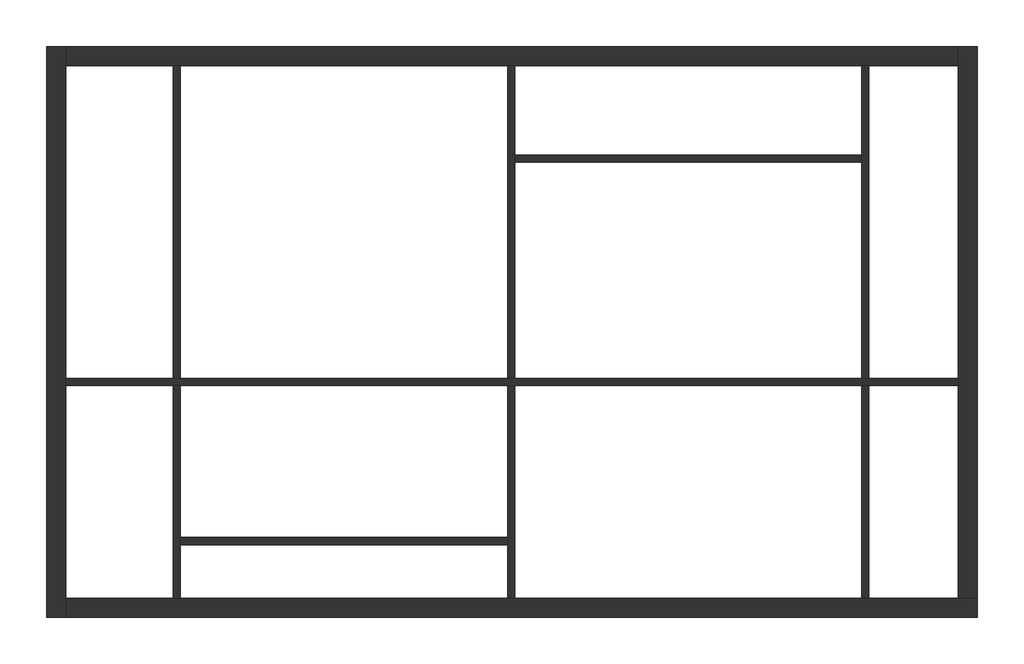
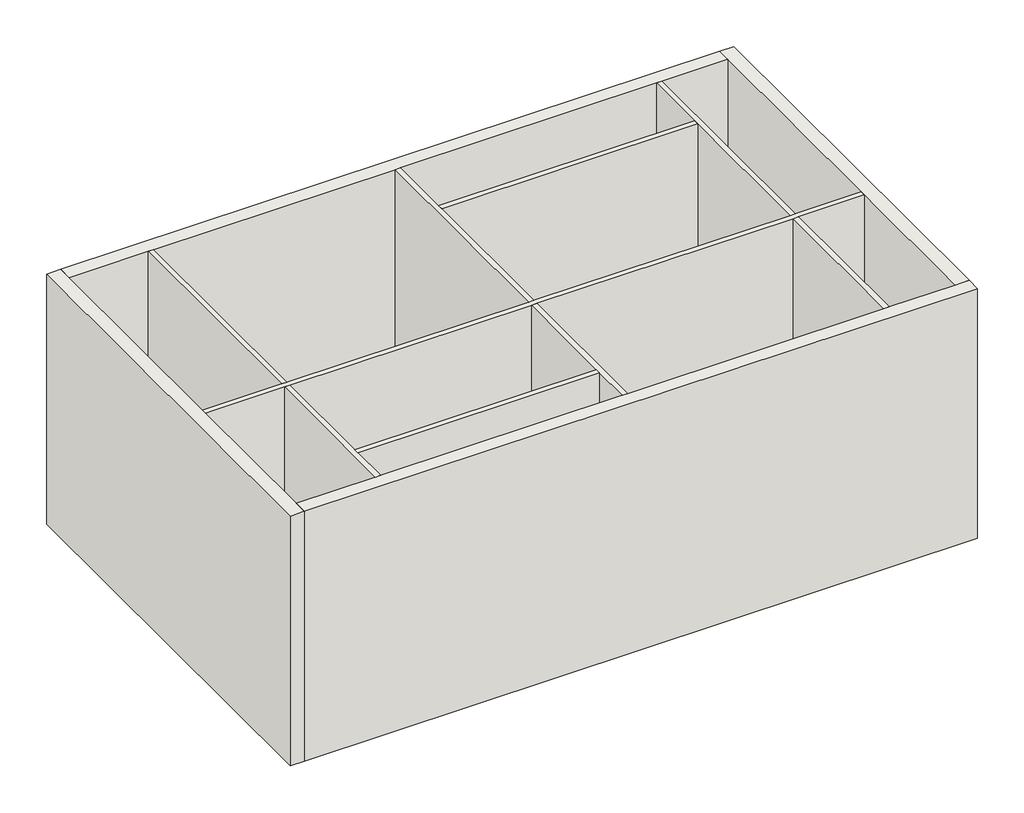
# One storey: 10 walls.
"""IFC4 building model written with IfcOpenShell, lengths in millimetres."""

import ifcopenshell
import ifcopenshell.guid

model = None  # the IFC model being written
_history = None  # IfcOwnerHistory: only IFC2X3 demands one
_inside = {}  # id of a spatial element -> (the spatial element, [elements in it])
_under = {}  # id of a project, library or spatial element -> (it, [spatial elements below it])
_declared = {}  # id of a project -> (the project, [libraries it declares])
_typed = {}  # id of a type object -> (the type object, [elements of that type])
_made_of = {}  # id of a material, layer set ... -> (it, [elements and type objects made of it])


def new_model(schema):
    """Start an empty IFC model of exactly this schema.

    Asked for "IFC4X3", IfcOpenShell would pick the latest addendum, in which some entities
    have other attributes; the version numbers below select the first issue.
    IFC2X3 requires an IfcOwnerHistory on every rooted entity: one is made here for all.
    """
    global model, _history
    if schema == "IFC4X3":
        model = ifcopenshell.file(schema_version=(4, 3, 0, 0))
    else:
        model = ifcopenshell.file(schema=schema)
    _inside.clear()
    _under.clear()
    _declared.clear()
    _typed.clear()
    _made_of.clear()
    _history = None
    if model.schema == "IFC2X3":
        org = make("IfcOrganization", Name="unknown")
        user = make(
            "IfcPersonAndOrganization",
            ThePerson=make("IfcPerson", FamilyName="unknown"),
            TheOrganization=org,
        )
        app = make(
            "IfcApplication",
            ApplicationDeveloper=org,
            Version="unknown",
            ApplicationFullName="unknown",
            ApplicationIdentifier="unknown",
        )
        _history = make(
            "IfcOwnerHistory",
            OwningUser=user,
            OwningApplication=app,
            ChangeAction="ADDED",
            CreationDate=0,
        )
    return model


def make(cls, **values):
    """One entity of the class cls with the attributes given. An attribute that is None is left unset."""
    return model.create_entity(
        cls, **{name: value for name, value in values.items() if value is not None}
    )


def rooted(cls, **values):
    """An entity with a GlobalId (a new one), such as an element, a storey or a relation."""
    return make(cls, GlobalId=ifcopenshell.guid.new(), OwnerHistory=_history, **values)


def si_unit(unit_type, name, prefix=None):
    """IfcSIUnit, for example si_unit("LENGTHUNIT", "METRE", prefix="MILLI")."""
    return make("IfcSIUnit", UnitType=unit_type, Prefix=prefix, Name=name)


def assignment(units):
    """IfcUnitAssignment: the units of a project."""
    return None if units is None else make("IfcUnitAssignment", Units=units)


def point(xyz):
    """IfcCartesianPoint."""
    return None if xyz is None else make("IfcCartesianPoint", Coordinates=xyz)


def direction(xyz):
    """IfcDirection."""
    return None if xyz is None else make("IfcDirection", DirectionRatios=xyz)


def frame(location, z_axis=None, x_axis=None):
    """IfcAxis2Placement3D, a coordinate frame: its origin and axes. An axis left out is left unset."""
    return make(
        "IfcAxis2Placement3D",
        Location=point(location),
        Axis=direction(z_axis),
        RefDirection=direction(x_axis),
    )


def origin():
    """The frame at (0, 0, 0) with its axes left unset."""
    return frame((0.0, 0.0, 0.0))


def place(relative_to, where):
    """IfcLocalPlacement: puts the frame where relative to a parent placement (None: the world)."""
    return make(
        "IfcLocalPlacement", PlacementRelTo=relative_to, RelativePlacement=where
    )


def context(
    kind, dimensions, precision=None, world=None, true_north=None, identifier=None
):
    """IfcGeometricRepresentationContext, for example the 3D "Model" context."""
    return make(
        "IfcGeometricRepresentationContext",
        ContextIdentifier=identifier,
        ContextType=kind,
        CoordinateSpaceDimension=dimensions,
        Precision=precision,
        WorldCoordinateSystem=world,
        TrueNorth=true_north,
    )


def project(units=None, contexts=None):
    """IfcProject with its units and contexts."""
    return rooted(
        "IfcProject",
        Name="project",
        RepresentationContexts=contexts,
        UnitsInContext=assignment(units),
    )


def spatial(cls, under=None, at=None, **own):
    """A site, building, storey or space (cls), placed at a placement, below another one or the project."""
    s = rooted(cls, ObjectPlacement=at, **own)
    if under is not None:
        _under.setdefault(under.id(), (under, []))[1].append(s)
    return s


def polyline(points):
    """IfcPolyline through the points."""
    return make("IfcPolyline", Points=[point(p) for p in points])


def outline(outer, holes=None, kind="AREA"):
    """IfcArbitraryClosedProfileDef: a profile drawn as a closed curve; with holes, ...WithVoids."""
    if holes is None:
        return make("IfcArbitraryClosedProfileDef", ProfileType=kind, OuterCurve=outer)
    return make(
        "IfcArbitraryProfileDefWithVoids",
        ProfileType=kind,
        OuterCurve=outer,
        InnerCurves=holes,
    )


def extrude(swept, where, along, depth):
    """IfcExtrudedAreaSolid: the profile swept, set in the frame where, extruded along a direction by depth."""
    return make(
        "IfcExtrudedAreaSolid",
        SweptArea=swept,
        Position=where,
        ExtrudedDirection=direction(along),
        Depth=depth,
    )


def faces_of(points, faces, orient=None, outer=None):
    """IfcFace entities. A face is a list of loops; a loop is a list of indices into points, from 0.

    orient and outer hold one flag for each loop. By default every Orientation is true, the
    first loop of a face is its IfcFaceOuterBound and the others are IfcFaceBound.
    """
    made = []
    for i, loops in enumerate(faces):
        bounds = []
        for j, loop in enumerate(loops):
            is_outer = j == 0 if outer is None else outer[i][j]
            bounds.append(
                make(
                    "IfcFaceOuterBound" if is_outer else "IfcFaceBound",
                    Bound=make("IfcPolyLoop", Polygon=[points[k] for k in loop]),
                    Orientation=True if orient is None else orient[i][j],
                )
            )
        made.append(make("IfcFace", Bounds=bounds))
    return made


def faceted_brep(points, faces, orient=None, outer=None, voids=None):
    """IfcFacetedBrep: a solid bounded by flat faces; with voids (closed shells), ...WithVoids."""
    shared = [point(p) for p in points]
    hull = make("IfcClosedShell", CfsFaces=faces_of(shared, faces, orient, outer))
    if voids is None:
        return make("IfcFacetedBrep", Outer=hull)
    return make(
        "IfcFacetedBrepWithVoids",
        Outer=hull,
        Voids=[
            make(cls, CfsFaces=faces_of(shared, fs, o, b)) for cls, fs, o, b in voids
        ],
    )


def shape(context_of_items, identifier, shape_type, items):
    """IfcShapeRepresentation: the items that make up one representation, for example the "Body"."""
    return make(
        "IfcShapeRepresentation",
        ContextOfItems=context_of_items,
        RepresentationIdentifier=identifier,
        RepresentationType=shape_type,
        Items=items,
    )


def made_of(thing, what):
    """Note that an element or type object is made of a material, layer set ...; save() writes the relation."""
    if what is not None:
        _made_of.setdefault(what.id(), (what, []))[1].append(thing)
    return thing


def element(
    cls,
    number,
    at=None,
    inside=None,
    cuts=None,
    type_object=None,
    material=None,
    context=None,
    identifier="Body",
    shape_type=None,
    held_by="IfcProductDefinitionShape",
    body=None,
    shapes=None,
    **own,
):
    """One element of the class cls, such as IfcWall. Its Tag is "e" and its number.

    at: its placement. inside: the storey or other place that contains it. cuts: it is an
    opening in that element (IfcRelVoidsElement). A single representation is given by context,
    identifier, shape_type and body (its items); several are given by shapes. held_by: the class
    of the entity that holds the representations. save() writes the other relations.
    """
    e = rooted(cls, Tag="e%d" % number, ObjectPlacement=at, **own)
    if body is not None:
        shapes = [shape(context, identifier, shape_type, body)]
    if shapes is not None:
        e.Representation = make(held_by, Representations=shapes)
    if inside is not None:
        _inside.setdefault(inside.id(), (inside, []))[1].append(e)
    if cuts is not None:
        rooted(
            "IfcRelVoidsElement", RelatingBuildingElement=cuts, RelatedOpeningElement=e
        )
    if type_object is not None:
        _typed.setdefault(type_object.id(), (type_object, []))[1].append(e)
    return made_of(e, material)


def aggregate(whole, parts):
    """IfcRelAggregates: a whole, such as a stair, and the parts it consists of."""
    return rooted("IfcRelAggregates", RelatingObject=whole, RelatedObjects=parts)


def save(model, path):
    """Write the relations noted so far, then the file.

    IfcRelAggregates (storeys below a building ...), IfcRelContainedInSpatialStructure (elements
    in a storey), IfcRelDefinesByType, IfcRelAssociatesMaterial and IfcRelDeclares: one each for
    every whole, place, type object, material and project.
    """
    for whole, parts in _under.values():
        aggregate(whole, parts)
    for where, things in _inside.values():
        rooted(
            "IfcRelContainedInSpatialStructure",
            RelatedElements=things,
            RelatingStructure=where,
        )
    for kind, things in _typed.values():
        rooted("IfcRelDefinesByType", RelatedObjects=things, RelatingType=kind)
    for what, things in _made_of.values():
        rooted("IfcRelAssociatesMaterial", RelatedObjects=things, RelatingMaterial=what)
    for by, libraries in _declared.values():
        rooted("IfcRelDeclares", RelatingContext=by, RelatedDefinitions=libraries)
    model.write(path)


model = new_model("IFC4")

# Units and contexts
model_context = context("Model", 3, world=origin())
ifc_project = project(units=[si_unit("LENGTHUNIT", "METRE", prefix="MILLI")], contexts=[model_context])

# Site, building, storey
site = spatial("IfcSite", under=ifc_project)
building = spatial("IfcBuilding", under=site)
storey = spatial("IfcBuildingStorey", under=building, Elevation=16000.0)

# Walls
placement = place(None, origin())
element("IfcWall", 1, at=placement, inside=storey, context=model_context, shape_type="Brep", body=[
    faceted_brep([(-3948.8295203, 13550.2038861, 16000.0), (-3948.8295203, 7162.2038861, 16000.0), (-3948.8295203, 7162.2038861, 20000.0), (-3948.8295203, 13550.2038861, 20000.0), (-3734.8295203, 13550.2038861, 16000.0), (-3734.8295203, 13550.2038861, 20000.0), (-3734.8295203, 13336.2038861, 20000.0), (-3734.8295203, 9836.2038861, 20000.0), (-3734.8295203, 9756.2038861, 20000.0), (-3734.8295203, 7376.2038861, 20000.0), (-3734.8295203, 7162.2038861, 20000.0), (-3734.8295203, 7162.2038861, 16000.0), (-3734.8295203, 7376.2038861, 16000.0), (-3734.8295203, 9756.2038861, 16000.0), (-3734.8295203, 9836.2038861, 16000.0), (-3734.8295203, 13336.2038861, 16000.0)], [[[0, 1, 2, 3]], [[4, 5, 6, 7, 8, 9, 10, 11, 12, 13, 14, 15]], [[1, 0, 4, 15, 14, 13, 12, 11]], [[3, 2, 10, 9, 8, 7, 6, 5]], [[0, 3, 5, 4]], [[2, 1, 11, 10]]]),
])
element("IfcWall", 2, at=placement, inside=storey, context=model_context, shape_type="Brep", body=[
    faceted_brep([(-3734.8295203, 7162.2038861, 16000.0), (6459.1704797, 7162.2038861, 16000.0), (6459.1704797, 7162.2038861, 20000.0), (-3734.8295203, 7162.2038861, 20000.0), (-3734.8295203, 7376.2038861, 16000.0), (-3734.8295203, 7376.2038861, 20000.0), (-2534.8295203, 7376.2038861, 20000.0), (-2454.8295203, 7376.2038861, 20000.0), (1205.1704797, 7376.2038861, 20000.0), (1285.1704797, 7376.2038861, 20000.0), (5165.1704797, 7376.2038861, 20000.0), (5245.1704797, 7376.2038861, 20000.0), (6245.1704797, 7376.2038861, 20000.0), (6459.1704797, 7376.2038861, 20000.0), (6459.1704797, 7376.2038861, 16000.0), (6245.1704797, 7376.2038861, 16000.0), (5245.1704797, 7376.2038861, 16000.0), (5165.1704797, 7376.2038861, 16000.0), (1285.1704797, 7376.2038861, 16000.0), (1205.1704797, 7376.2038861, 16000.0), (-2454.8295203, 7376.2038861, 16000.0), (-2534.8295203, 7376.2038861, 16000.0)], [[[0, 1, 2, 3]], [[4, 5, 6, 7, 8, 9, 10, 11, 12, 13, 14, 15, 16, 17, 18, 19, 20, 21]], [[1, 0, 4, 21, 20, 19, 18, 17, 16, 15, 14]], [[3, 2, 13, 12, 11, 10, 9, 8, 7, 6, 5]], [[2, 1, 14, 13]], [[0, 3, 5, 4]]]),
])
element("IfcWall", 3, at=placement, inside=storey, context=model_context, shape_type="Brep", body=[
    faceted_brep([(6459.1704797, 7376.2038861, 16000.0), (6459.1704797, 13550.2038861, 16000.0), (6459.1704797, 13550.2038861, 20000.0), (6459.1704797, 7376.2038861, 20000.0), (6245.1704797, 7376.2038861, 16000.0), (6245.1704797, 7376.2038861, 20000.0), (6245.1704797, 9756.2038861, 20000.0), (6245.1704797, 9836.2038861, 20000.0), (6245.1704797, 13336.2038861, 20000.0), (6245.1704797, 13550.2038861, 20000.0), (6245.1704797, 13550.2038861, 16000.0), (6245.1704797, 13336.2038861, 16000.0), (6245.1704797, 9836.2038861, 16000.0), (6245.1704797, 9756.2038861, 16000.0)], [[[0, 1, 2, 3]], [[4, 5, 6, 7, 8, 9, 10, 11, 12, 13]], [[1, 0, 4, 13, 12, 11, 10]], [[3, 2, 9, 8, 7, 6, 5]], [[2, 1, 10, 9]], [[0, 3, 5, 4]]]),
])
element("IfcWall", 4, at=placement, inside=storey, context=model_context, shape_type="Brep", body=[
    faceted_brep([(6245.1704797, 13550.2038861, 16000.0), (-3734.8295203, 13550.2038861, 16000.0), (-3734.8295203, 13550.2038861, 20000.0), (6245.1704797, 13550.2038861, 20000.0), (6245.1704797, 13336.2038861, 16000.0), (6245.1704797, 13336.2038861, 20000.0), (5245.1704797, 13336.2038861, 20000.0), (5165.1704797, 13336.2038861, 20000.0), (1285.1704797, 13336.2038861, 20000.0), (1205.1704797, 13336.2038861, 20000.0), (-2454.8295203, 13336.2038861, 20000.0), (-2534.8295203, 13336.2038861, 20000.0), (-3734.8295203, 13336.2038861, 20000.0), (-3734.8295203, 13336.2038861, 16000.0), (-2534.8295203, 13336.2038861, 16000.0), (-2454.8295203, 13336.2038861, 16000.0), (1205.1704797, 13336.2038861, 16000.0), (1285.1704797, 13336.2038861, 16000.0), (5165.1704797, 13336.2038861, 16000.0), (5245.1704797, 13336.2038861, 16000.0)], [[[0, 1, 2, 3]], [[4, 5, 6, 7, 8, 9, 10, 11, 12, 13, 14, 15, 16, 17, 18, 19]], [[1, 0, 4, 19, 18, 17, 16, 15, 14, 13]], [[3, 2, 12, 11, 10, 9, 8, 7, 6, 5]], [[0, 3, 5, 4]], [[2, 1, 13, 12]]]),
])
element("IfcWall", 5, at=placement, inside=storey, context=model_context, shape_type="Brep", body=[
    faceted_brep([(-3734.8295203, 9756.2038861, 16000.0), (-2534.8295203, 9756.2038861, 16000.0), (-2454.8295203, 9756.2038861, 16000.0), (1205.1704797, 9756.2038861, 16000.0), (1285.1704797, 9756.2038861, 16000.0), (5165.1704797, 9756.2038861, 16000.0), (5245.1704797, 9756.2038861, 16000.0), (6245.1704797, 9756.2038861, 16000.0), (6245.1704797, 9756.2038861, 20000.0), (5245.1704797, 9756.2038861, 20000.0), (5165.1704797, 9756.2038861, 20000.0), (1285.1704797, 9756.2038861, 20000.0), (1205.1704797, 9756.2038861, 20000.0), (-2454.8295203, 9756.2038861, 20000.0), (-2534.8295203, 9756.2038861, 20000.0), (-3734.8295203, 9756.2038861, 20000.0), (-3734.8295203, 9836.2038861, 16000.0), (-3734.8295203, 9836.2038861, 20000.0), (-2534.8295203, 9836.2038861, 20000.0), (-2454.8295203, 9836.2038861, 20000.0), (1205.1704797, 9836.2038861, 20000.0), (1285.1704797, 9836.2038861, 20000.0), (5165.1704797, 9836.2038861, 20000.0), (5245.1704797, 9836.2038861, 20000.0), (6245.1704797, 9836.2038861, 20000.0), (6245.1704797, 9836.2038861, 16000.0), (5245.1704797, 9836.2038861, 16000.0), (5165.1704797, 9836.2038861, 16000.0), (1285.1704797, 9836.2038861, 16000.0), (1205.1704797, 9836.2038861, 16000.0), (-2454.8295203, 9836.2038861, 16000.0), (-2534.8295203, 9836.2038861, 16000.0)], [[[0, 1, 2, 3, 4, 5, 6, 7, 8, 9, 10, 11, 12, 13, 14, 15]], [[16, 17, 18, 19, 20, 21, 22, 23, 24, 25, 26, 27, 28, 29, 30, 31]], [[7, 6, 5, 4, 3, 2, 1, 0, 16, 31, 30, 29, 28, 27, 26, 25]], [[15, 14, 13, 12, 11, 10, 9, 8, 24, 23, 22, 21, 20, 19, 18, 17]], [[0, 15, 17, 16]], [[8, 7, 25, 24]]]),
])
element("IfcWall", 6, at=placement, inside=storey, context=model_context, shape_type="Brep", body=[
    faceted_brep([(-2534.8295203, 13336.2038861, 20000.0), (-2534.8295203, 13336.2038861, 16000.0), (-2534.8295203, 9836.2038861, 16000.0), (-2534.8295203, 9836.2038861, 20000.0), (-2454.8295203, 13336.2038861, 16000.0), (-2454.8295203, 13336.2038861, 20000.0), (-2454.8295203, 9836.2038861, 20000.0), (-2454.8295203, 9836.2038861, 16000.0)], [[[0, 1, 2, 3]], [[4, 5, 6, 7]], [[1, 4, 7, 2]], [[5, 0, 3, 6]], [[1, 0, 5, 4]], [[3, 2, 7, 6]]]),
    faceted_brep([(-2534.8295203, 7376.2038861, 16000.0), (-2534.8295203, 7376.2038861, 20000.0), (-2534.8295203, 9756.2038861, 20000.0), (-2534.8295203, 9756.2038861, 16000.0), (-2454.8295203, 7376.2038861, 20000.0), (-2454.8295203, 7376.2038861, 16000.0), (-2454.8295203, 7976.2038861, 16000.0), (-2454.8295203, 8056.2038861, 16000.0), (-2454.8295203, 9756.2038861, 16000.0), (-2454.8295203, 9756.2038861, 20000.0), (-2454.8295203, 8056.2038861, 20000.0), (-2454.8295203, 7976.2038861, 20000.0)], [[[0, 1, 2, 3]], [[4, 5, 6, 7, 8, 9, 10, 11]], [[5, 0, 3, 8, 7, 6]], [[1, 4, 11, 10, 9, 2]], [[3, 2, 9, 8]], [[1, 0, 5, 4]]]),
])
element("IfcWall", 7, at=placement, inside=storey, context=model_context, shape_type="Brep", body=[
    faceted_brep([(1205.1704797, 13336.2038861, 20000.0), (1205.1704797, 13336.2038861, 16000.0), (1205.1704797, 9836.2038861, 16000.0), (1205.1704797, 9836.2038861, 20000.0), (1285.1704797, 13336.2038861, 16000.0), (1285.1704797, 13336.2038861, 20000.0), (1285.1704797, 12336.2038861, 20000.0), (1285.1704797, 12256.2038861, 20000.0), (1285.1704797, 9836.2038861, 20000.0), (1285.1704797, 9836.2038861, 16000.0), (1285.1704797, 12256.2038861, 16000.0), (1285.1704797, 12336.2038861, 16000.0)], [[[0, 1, 2, 3]], [[4, 5, 6, 7, 8, 9, 10, 11]], [[1, 4, 11, 10, 9, 2]], [[5, 0, 3, 8, 7, 6]], [[1, 0, 5, 4]], [[3, 2, 9, 8]]]),
    faceted_brep([(1205.1704797, 7376.2038861, 16000.0), (1205.1704797, 7376.2038861, 20000.0), (1205.1704797, 7976.2038861, 20000.0), (1205.1704797, 8056.2038861, 20000.0), (1205.1704797, 9756.2038861, 20000.0), (1205.1704797, 9756.2038861, 16000.0), (1205.1704797, 8056.2038861, 16000.0), (1205.1704797, 7976.2038861, 16000.0), (1285.1704797, 7376.2038861, 20000.0), (1285.1704797, 7376.2038861, 16000.0), (1285.1704797, 9756.2038861, 16000.0), (1285.1704797, 9756.2038861, 20000.0)], [[[0, 1, 2, 3, 4, 5, 6, 7]], [[8, 9, 10, 11]], [[9, 0, 7, 6, 5, 10]], [[1, 8, 11, 4, 3, 2]], [[5, 4, 11, 10]], [[1, 0, 9, 8]]]),
])
element("IfcWall", 8, at=placement, inside=storey, context=model_context, shape_type="Brep", body=[
    faceted_brep([(5165.1704797, 13336.2038861, 20000.0), (5165.1704797, 13336.2038861, 16000.0), (5165.1704797, 12336.2038861, 16000.0), (5165.1704797, 12256.2038861, 16000.0), (5165.1704797, 9836.2038861, 16000.0), (5165.1704797, 9836.2038861, 20000.0), (5165.1704797, 12256.2038861, 20000.0), (5165.1704797, 12336.2038861, 20000.0), (5245.1704797, 13336.2038861, 16000.0), (5245.1704797, 13336.2038861, 20000.0), (5245.1704797, 9836.2038861, 20000.0), (5245.1704797, 9836.2038861, 16000.0)], [[[0, 1, 2, 3, 4, 5, 6, 7]], [[8, 9, 10, 11]], [[1, 8, 11, 4, 3, 2]], [[9, 0, 7, 6, 5, 10]], [[1, 0, 9, 8]], [[5, 4, 11, 10]]]),
    faceted_brep([(5165.1704797, 7376.2038861, 16000.0), (5165.1704797, 7376.2038861, 20000.0), (5165.1704797, 9756.2038861, 20000.0), (5165.1704797, 9756.2038861, 16000.0), (5245.1704797, 7376.2038861, 20000.0), (5245.1704797, 7376.2038861, 16000.0), (5245.1704797, 9756.2038861, 16000.0), (5245.1704797, 9756.2038861, 20000.0)], [[[0, 1, 2, 3]], [[4, 5, 6, 7]], [[5, 0, 3, 6]], [[1, 4, 7, 2]], [[3, 2, 7, 6]], [[1, 0, 5, 4]]]),
])
element("IfcWall", 9, at=placement, inside=storey, context=model_context, shape_type="SweptSolid", body=[
    extrude(outline(polyline([(1205.1704797, 7976.2038861), (-2454.8295203, 7976.2038861), (-2454.8295203, 8056.2038861), (1205.1704797, 8056.2038861), (1205.1704797, 7976.2038861)])), frame((0.0, 0.0, 16000.0), z_axis=(0.0, 0.0, 1.0), x_axis=(1.0, 0.0, 0.0)), (0.0, 0.0, 1.0), 4000.0),
])
element("IfcWall", 10, at=placement, inside=storey, context=model_context, shape_type="SweptSolid", body=[
    extrude(outline(polyline([(5165.1704797, 12256.2038861), (1285.1704797, 12256.2038861), (1285.1704797, 12336.2038861), (5165.1704797, 12336.2038861), (5165.1704797, 12256.2038861)])), frame((0.0, 0.0, 16000.0), z_axis=(0.0, 0.0, 1.0), x_axis=(1.0, 0.0, 0.0)), (0.0, 0.0, 1.0), 4000.0),
])

save(model, "model.ifc")
